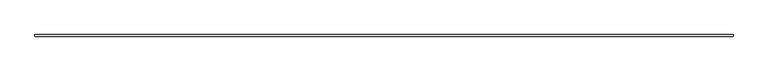
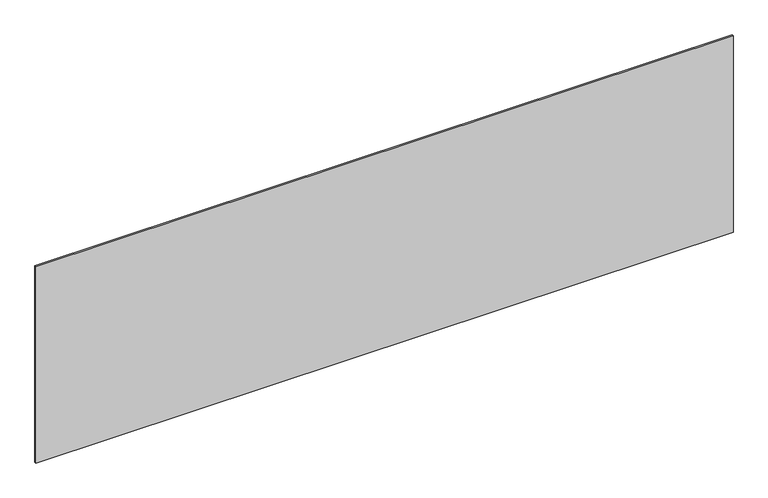
"""IFC4 building model written with IfcOpenShell, lengths in millimetres: plate geometry."""

from ifc_helpers import new_model, si_unit, origin, origin_with_axes, place, context, project, spatial, polyline, outline, extrude, source, transform, mapped, element, save


def plate_be2c488c(model_context):
    return source(origin(), model_context, "Body", "SweptSolid", [
        extrude(outline(polyline([(2189.1666667, -5.0), (-2189.1666667, -5.0), (-2189.1666667, 5.0), (2189.1666667, 5.0), (2189.1666667, -5.0)])), origin_with_axes(), (0.0, 0.0, 1.0), 1303.1391277),
    ])


if __name__ == "__main__":
    model = new_model("IFC4")
    model_context = context("Model", 3, world=origin())
    ifc_project = project(units=[si_unit("LENGTHUNIT", "METRE", prefix="MILLI")], contexts=[model_context])
    site = spatial("IfcSite", under=ifc_project)
    building = spatial("IfcBuilding", under=site)
    placement = place(None, origin())
    plate_shape = plate_be2c488c(model_context)
    element("IfcPlate", 1, at=placement, inside=building, context=model_context, shape_type="MappedRepresentation", body=[
        mapped(plate_shape, transform((0.0, 0.0, 0.0), x_axis=(1.0, 0.0, 0.0), y_axis=(0.0, 1.0, 0.0), z_axis=(0.0, 0.0, 1.0))),
    ])
    save(model, "model.ifc")
